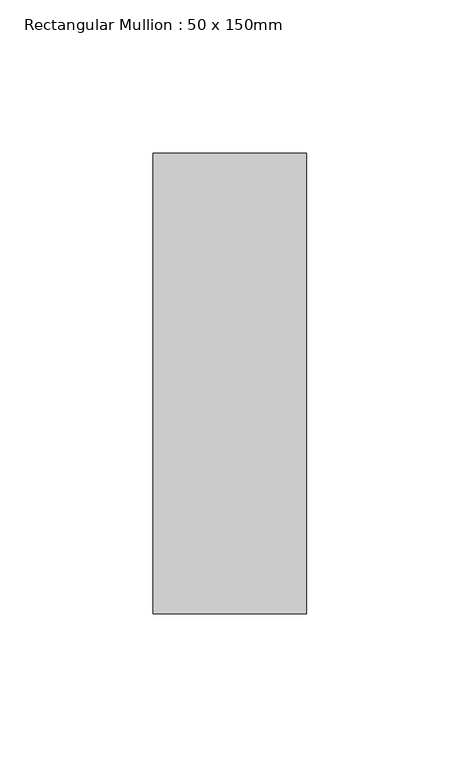
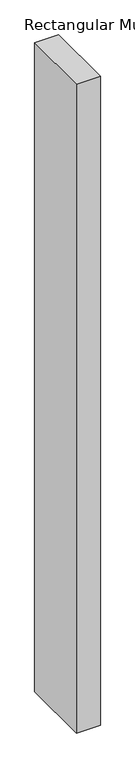
"""IFC4 building model written with IfcOpenShell, lengths in millimetres: member geometry, Rectangular Mullion : 50 x 150mm."""

from ifc_helpers import new_model, si_unit, frame, origin, place, context, project, spatial, polyline, outline, extrude, source, transform, mapped, element, save


def rectangular_mullion_50_x_150mm_d0d16687(model_context):
    return source(origin(), model_context, "Body", "SweptSolid", [
        extrude(outline(polyline([(0.0, 75.0), (0.0, -75.0), (-50.0, -75.0), (-50.0, 75.0), (0.0, 75.0)])), frame((0.0, 0.0, -1427.3858794), z_axis=(0.0, 0.0, 1.0), x_axis=(1.0, 0.0, 0.0)), (0.0, 0.0, 1.0), 1427.3858794),
    ])


if __name__ == "__main__":
    model = new_model("IFC4")
    model_context = context("Model", 3, world=origin())
    ifc_project = project(units=[si_unit("LENGTHUNIT", "METRE", prefix="MILLI")], contexts=[model_context])
    site = spatial("IfcSite", under=ifc_project)
    building = spatial("IfcBuilding", under=site)
    placement = place(None, origin())
    rectangular_mullion_50_x_150mm_shape = rectangular_mullion_50_x_150mm_d0d16687(model_context)
    element("IfcMember", 1, ObjectType="Rectangular Mullion : 50 x 150mm", at=placement, inside=building, context=model_context, shape_type="MappedRepresentation", body=[
        mapped(rectangular_mullion_50_x_150mm_shape, transform((0.0, 0.0, 0.0), x_axis=(1.0, 0.0, 0.0), y_axis=(0.0, 1.0, 0.0), z_axis=(0.0, 0.0, 1.0))),
    ])
    save(model, "model.ifc")
